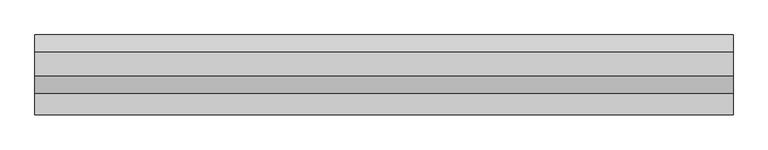
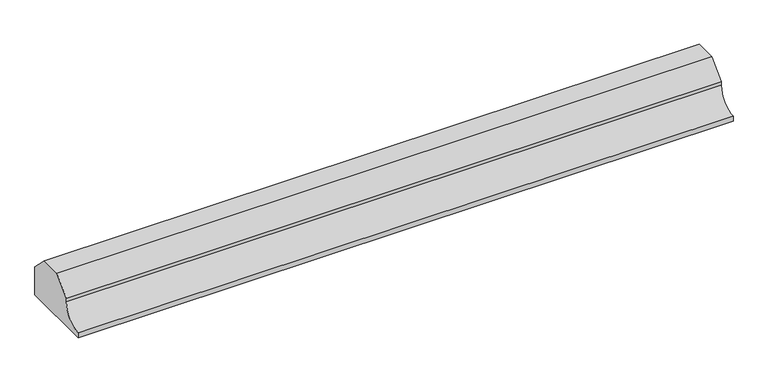
"""IFC4 building model written with IfcOpenShell, lengths in millimetres: proxy geometry."""

from ifc_helpers import new_model, si_unit, point, frame, frame_2d, origin, place, context, project, spatial, polyline, circle_curve, trimmed, segment, composite_curve, outline, extrude, source, transform, mapped, element, save


def generic_models_1d66b371(model_context):
    return source(origin(), model_context, "Body", "SweptSolid", [
        extrude(outline(composite_curve([segment(polyline([(-1144.7856698, 148.6), (-1065.3223642, 148.6), (-1005.0540151, 88.3316509), (-1005.0540151, -20.0), (-1280.0540151, -20.0), (-1280.0540151, 0.0)]), True, "CONTINUOUS"), segment(trimmed(circle_curve(frame_2d((-1280.0540151, 75.0)), 75.0), [point((-1280.0540151, 0.0))], [point((-1205.0540151, 75.0))], True, "CARTESIAN"), True, "CONTINUOUS"), segment(polyline([(-1205.0540151, 75.0), (-1205.0540151, 88.3316546), (-1144.7856698, 148.6)]), True, "CONTINUOUS")], self_intersect=False)), frame((-2642.3579656, 0.0, 0.0), z_axis=(1.0, 0.0, 0.0), x_axis=(0.0, 1.0, 0.0)), (0.0, 0.0, 1.0), 2400.0),
    ])


if __name__ == "__main__":
    model = new_model("IFC4")
    model_context = context("Model", 3, world=origin())
    ifc_project = project(units=[si_unit("LENGTHUNIT", "METRE", prefix="MILLI")], contexts=[model_context])
    site = spatial("IfcSite", under=ifc_project)
    building = spatial("IfcBuilding", under=site)
    placement = place(None, origin())
    generic_models_shape = generic_models_1d66b371(model_context)
    element("IfcBuildingElementProxy", 1, Name="Generic Models", at=placement, inside=building, context=model_context, shape_type="MappedRepresentation", body=[
        mapped(generic_models_shape, transform((0.0, 0.0, 0.0), x_axis=(1.0, 0.0, 0.0), y_axis=(0.0, 1.0, 0.0), z_axis=(0.0, 0.0, 1.0))),
    ])
    save(model, "model.ifc")
